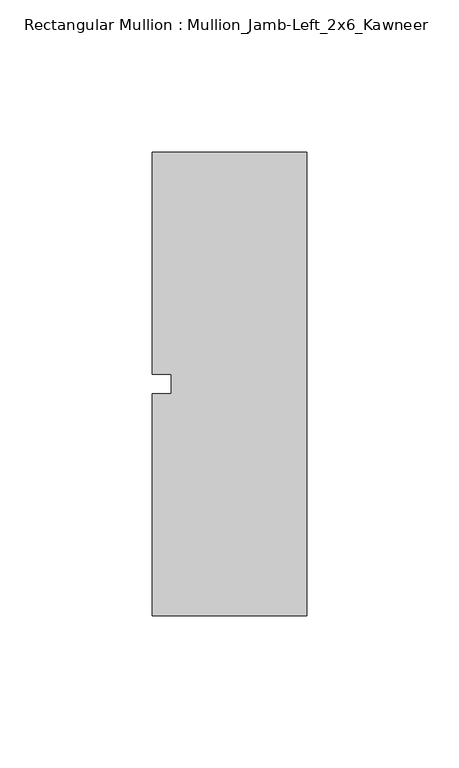
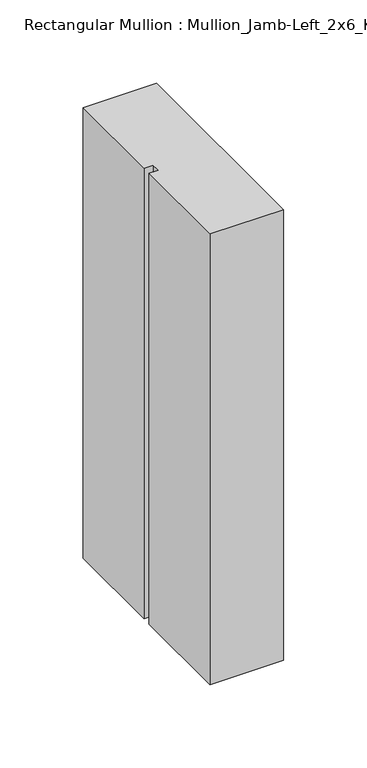
"""IFC4 building model written with IfcOpenShell, lengths in millimetres: member geometry, Rectangular Mullion : Mullion_Jamb-Left_2x6_Kawneer."""

from ifc_helpers import new_model, si_unit, frame, origin, place, context, project, spatial, polyline, outline, extrude, source, transform, mapped, element, save


def rectangular_mullion_mullion_jamb_left_2x6_kawneer_2bbb64d8(model_context):
    return source(origin(), model_context, "Body", "SweptSolid", [
        extrude(outline(polyline([(-50.8, 76.2), (0.0, 76.2), (0.0, -76.2), (-50.8, -76.2), (-50.8, -3.175), (-44.45, -3.175), (-44.45, 3.175), (-50.8, 3.175), (-50.8, 76.2)])), frame((0.0, 0.0, -330.2), z_axis=(0.0, 0.0, 1.0), x_axis=(1.0, 0.0, 0.0)), (0.0, 0.0, 1.0), 330.2),
    ])


if __name__ == "__main__":
    model = new_model("IFC4")
    model_context = context("Model", 3, world=origin())
    ifc_project = project(units=[si_unit("LENGTHUNIT", "METRE", prefix="MILLI")], contexts=[model_context])
    site = spatial("IfcSite", under=ifc_project)
    building = spatial("IfcBuilding", under=site)
    placement = place(None, origin())
    rectangular_mullion_mullion_jamb_left_2x6_kawneer_shape = rectangular_mullion_mullion_jamb_left_2x6_kawneer_2bbb64d8(model_context)
    element("IfcMember", 1, ObjectType="Rectangular Mullion : Mullion_Jamb-Left_2x6_Kawneer", at=placement, inside=building, context=model_context, shape_type="MappedRepresentation", body=[
        mapped(rectangular_mullion_mullion_jamb_left_2x6_kawneer_shape, transform((0.0, 0.0, 0.0), x_axis=(1.0, 0.0, 0.0), y_axis=(0.0, 1.0, 0.0), z_axis=(0.0, 0.0, 1.0))),
    ])
    save(model, "model.ifc")
